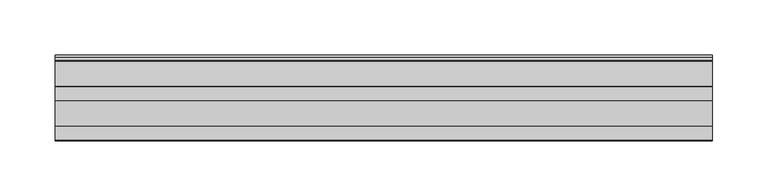
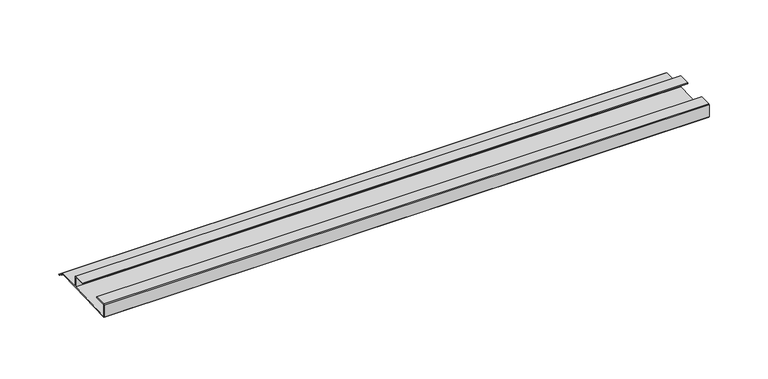
"""IFC4 building model written with IfcOpenShell, lengths in millimetres: furniture geometry."""

import ifcopenshell
import ifcopenshell.guid

model = None  # the IFC model being written
_history = None  # IfcOwnerHistory: only IFC2X3 demands one
_inside = {}  # id of a spatial element -> (the spatial element, [elements in it])
_under = {}  # id of a project, library or spatial element -> (it, [spatial elements below it])
_declared = {}  # id of a project -> (the project, [libraries it declares])
_typed = {}  # id of a type object -> (the type object, [elements of that type])
_made_of = {}  # id of a material, layer set ... -> (it, [elements and type objects made of it])


def new_model(schema):
    """Start an empty IFC model of exactly this schema.

    Asked for "IFC4X3", IfcOpenShell would pick the latest addendum, in which some entities
    have other attributes; the version numbers below select the first issue.
    IFC2X3 requires an IfcOwnerHistory on every rooted entity: one is made here for all.
    """
    global model, _history
    if schema == "IFC4X3":
        model = ifcopenshell.file(schema_version=(4, 3, 0, 0))
    else:
        model = ifcopenshell.file(schema=schema)
    _inside.clear()
    _under.clear()
    _declared.clear()
    _typed.clear()
    _made_of.clear()
    _history = None
    if model.schema == "IFC2X3":
        org = make("IfcOrganization", Name="unknown")
        user = make(
            "IfcPersonAndOrganization",
            ThePerson=make("IfcPerson", FamilyName="unknown"),
            TheOrganization=org,
        )
        app = make(
            "IfcApplication",
            ApplicationDeveloper=org,
            Version="unknown",
            ApplicationFullName="unknown",
            ApplicationIdentifier="unknown",
        )
        _history = make(
            "IfcOwnerHistory",
            OwningUser=user,
            OwningApplication=app,
            ChangeAction="ADDED",
            CreationDate=0,
        )
    return model


def make(cls, **values):
    """One entity of the class cls with the attributes given. An attribute that is None is left unset."""
    return model.create_entity(
        cls, **{name: value for name, value in values.items() if value is not None}
    )


def rooted(cls, **values):
    """An entity with a GlobalId (a new one), such as an element, a storey or a relation."""
    return make(cls, GlobalId=ifcopenshell.guid.new(), OwnerHistory=_history, **values)


def si_unit(unit_type, name, prefix=None):
    """IfcSIUnit, for example si_unit("LENGTHUNIT", "METRE", prefix="MILLI")."""
    return make("IfcSIUnit", UnitType=unit_type, Prefix=prefix, Name=name)


def assignment(units):
    """IfcUnitAssignment: the units of a project."""
    return None if units is None else make("IfcUnitAssignment", Units=units)


def point(xyz):
    """IfcCartesianPoint."""
    return None if xyz is None else make("IfcCartesianPoint", Coordinates=xyz)


def direction(xyz):
    """IfcDirection."""
    return None if xyz is None else make("IfcDirection", DirectionRatios=xyz)


def frame(location, z_axis=None, x_axis=None):
    """IfcAxis2Placement3D, a coordinate frame: its origin and axes. An axis left out is left unset."""
    return make(
        "IfcAxis2Placement3D",
        Location=point(location),
        Axis=direction(z_axis),
        RefDirection=direction(x_axis),
    )


def origin():
    """The frame at (0, 0, 0) with its axes left unset."""
    return frame((0.0, 0.0, 0.0))


def place(relative_to, where):
    """IfcLocalPlacement: puts the frame where relative to a parent placement (None: the world)."""
    return make(
        "IfcLocalPlacement", PlacementRelTo=relative_to, RelativePlacement=where
    )


def context(
    kind, dimensions, precision=None, world=None, true_north=None, identifier=None
):
    """IfcGeometricRepresentationContext, for example the 3D "Model" context."""
    return make(
        "IfcGeometricRepresentationContext",
        ContextIdentifier=identifier,
        ContextType=kind,
        CoordinateSpaceDimension=dimensions,
        Precision=precision,
        WorldCoordinateSystem=world,
        TrueNorth=true_north,
    )


def project(units=None, contexts=None):
    """IfcProject with its units and contexts."""
    return rooted(
        "IfcProject",
        Name="project",
        RepresentationContexts=contexts,
        UnitsInContext=assignment(units),
    )


def spatial(cls, under=None, at=None, **own):
    """A site, building, storey or space (cls), placed at a placement, below another one or the project."""
    s = rooted(cls, ObjectPlacement=at, **own)
    if under is not None:
        _under.setdefault(under.id(), (under, []))[1].append(s)
    return s


def polyline(points):
    """IfcPolyline through the points."""
    return make("IfcPolyline", Points=[point(p) for p in points])


def outline(outer, holes=None, kind="AREA"):
    """IfcArbitraryClosedProfileDef: a profile drawn as a closed curve; with holes, ...WithVoids."""
    if holes is None:
        return make("IfcArbitraryClosedProfileDef", ProfileType=kind, OuterCurve=outer)
    return make(
        "IfcArbitraryProfileDefWithVoids",
        ProfileType=kind,
        OuterCurve=outer,
        InnerCurves=holes,
    )


def extrude(swept, where, along, depth):
    """IfcExtrudedAreaSolid: the profile swept, set in the frame where, extruded along a direction by depth."""
    return make(
        "IfcExtrudedAreaSolid",
        SweptArea=swept,
        Position=where,
        ExtrudedDirection=direction(along),
        Depth=depth,
    )


def shape(context_of_items, identifier, shape_type, items):
    """IfcShapeRepresentation: the items that make up one representation, for example the "Body"."""
    return make(
        "IfcShapeRepresentation",
        ContextOfItems=context_of_items,
        RepresentationIdentifier=identifier,
        RepresentationType=shape_type,
        Items=items,
    )


def source(mapping_origin, context_of_items, identifier, shape_type, items):
    """IfcRepresentationMap: a shape defined once, which mapped items show again and again."""
    return make(
        "IfcRepresentationMap",
        MappingOrigin=mapping_origin,
        MappedRepresentation=shape(context_of_items, identifier, shape_type, items),
    )


def transform(
    local_origin,
    x_axis=None,
    y_axis=None,
    z_axis=None,
    scale=None,
    scale2=None,
    scale3=None,
    uniform=True,
):
    """IfcCartesianTransformationOperator3D, or its non-uniform kind. x_axis, y_axis, z_axis: its Axis1, 2, 3."""
    if uniform:
        return make(
            "IfcCartesianTransformationOperator3D",
            Axis1=direction(x_axis),
            Axis2=direction(y_axis),
            LocalOrigin=point(local_origin),
            Scale=scale,
            Axis3=direction(z_axis),
        )
    return make(
        "IfcCartesianTransformationOperator3DnonUniform",
        Axis1=direction(x_axis),
        Axis2=direction(y_axis),
        LocalOrigin=point(local_origin),
        Scale=scale,
        Axis3=direction(z_axis),
        Scale2=scale2,
        Scale3=scale3,
    )


def mapped(mapping_source, mapping_target):
    """IfcMappedItem: shows the shape of a source again, moved by a transform."""
    return make(
        "IfcMappedItem", MappingSource=mapping_source, MappingTarget=mapping_target
    )


def made_of(thing, what):
    """Note that an element or type object is made of a material, layer set ...; save() writes the relation."""
    if what is not None:
        _made_of.setdefault(what.id(), (what, []))[1].append(thing)
    return thing


def element(
    cls,
    number,
    at=None,
    inside=None,
    cuts=None,
    type_object=None,
    material=None,
    context=None,
    identifier="Body",
    shape_type=None,
    held_by="IfcProductDefinitionShape",
    body=None,
    shapes=None,
    **own,
):
    """One element of the class cls, such as IfcWall. Its Tag is "e" and its number.

    at: its placement. inside: the storey or other place that contains it. cuts: it is an
    opening in that element (IfcRelVoidsElement). A single representation is given by context,
    identifier, shape_type and body (its items); several are given by shapes. held_by: the class
    of the entity that holds the representations. save() writes the other relations.
    """
    e = rooted(cls, Tag="e%d" % number, ObjectPlacement=at, **own)
    if body is not None:
        shapes = [shape(context, identifier, shape_type, body)]
    if shapes is not None:
        e.Representation = make(held_by, Representations=shapes)
    if inside is not None:
        _inside.setdefault(inside.id(), (inside, []))[1].append(e)
    if cuts is not None:
        rooted(
            "IfcRelVoidsElement", RelatingBuildingElement=cuts, RelatedOpeningElement=e
        )
    if type_object is not None:
        _typed.setdefault(type_object.id(), (type_object, []))[1].append(e)
    return made_of(e, material)


def aggregate(whole, parts):
    """IfcRelAggregates: a whole, such as a stair, and the parts it consists of."""
    return rooted("IfcRelAggregates", RelatingObject=whole, RelatedObjects=parts)


def save(model, path):
    """Write the relations noted so far, then the file.

    IfcRelAggregates (storeys below a building ...), IfcRelContainedInSpatialStructure (elements
    in a storey), IfcRelDefinesByType, IfcRelAssociatesMaterial and IfcRelDeclares: one each for
    every whole, place, type object, material and project.
    """
    for whole, parts in _under.values():
        aggregate(whole, parts)
    for where, things in _inside.values():
        rooted(
            "IfcRelContainedInSpatialStructure",
            RelatedElements=things,
            RelatingStructure=where,
        )
    for kind, things in _typed.values():
        rooted("IfcRelDefinesByType", RelatedObjects=things, RelatingType=kind)
    for what, things in _made_of.values():
        rooted("IfcRelAssociatesMaterial", RelatedObjects=things, RelatingMaterial=what)
    for by, libraries in _declared.values():
        rooted("IfcRelDeclares", RelatingContext=by, RelatedDefinitions=libraries)
    model.write(path)


def furniture_af9342ae(model_context):
    return source(origin(), model_context, "Body", "SweptSolid", [
        extrude(outline(polyline([(-16.1532518, 511.9901998), (-16.9376349, 511.5718742), (-18.5259585, 513.2424489), (-20.7474799, 513.857782), (-21.763438, 515.8897074), (-45.0034802, 515.8897074), (-92.6265287, 513.857782), (-93.3884975, 514.6197508), (-93.3884975, 527.05), (-92.5947475, 527.84375), (-80.6890189, 527.84375), (-80.6890189, 527.05), (-92.6265287, 527.05), (-92.6265287, 514.6197631), (-45.0034802, 516.6834574), (-45.0034802, 527.05), (-56.9409919, 527.05), (-56.9409919, 527.84375), (-45.0352673, 527.84375), (-44.2415173, 527.05), (-44.2415173, 516.6834574), (-21.763438, 516.6834574), (-20.7474799, 514.8737447), (-18.0685872, 514.0047207), (-16.1532518, 511.9901998)])), frame((-276.9464592, 0.0, 0.0), z_axis=(1.0, 0.0, 0.0), x_axis=(0.0, 1.0, 0.0)), (0.0, 0.0, 1.0), 592.836),
    ])


if __name__ == "__main__":
    model = new_model("IFC4")
    model_context = context("Model", 3, world=origin())
    ifc_project = project(units=[si_unit("LENGTHUNIT", "METRE", prefix="MILLI")], contexts=[model_context])
    site = spatial("IfcSite", under=ifc_project)
    building = spatial("IfcBuilding", under=site)
    placement = place(None, origin())
    furniture_shape = furniture_af9342ae(model_context)
    element("IfcFurniture", 1, at=placement, inside=building, context=model_context, shape_type="MappedRepresentation", body=[
        mapped(furniture_shape, transform((0.0, 0.0, 0.0), x_axis=(1.0, 0.0, 0.0), y_axis=(0.0, 1.0, 0.0), z_axis=(0.0, 0.0, 1.0))),
    ])
    save(model, "model.ifc")
